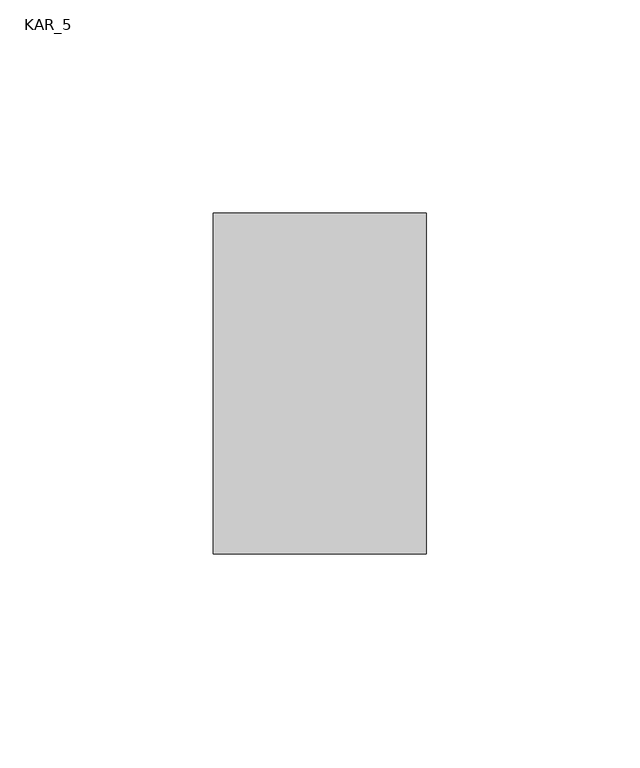
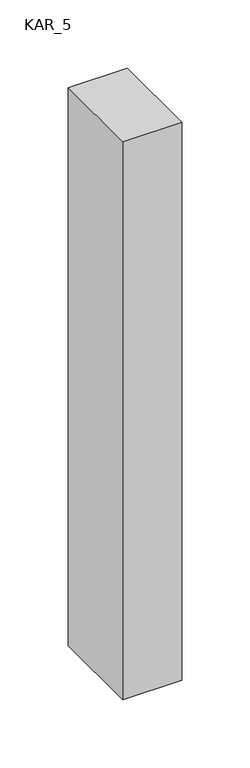
"""IFC4 building model written with IfcOpenShell, lengths in millimetres: proxy geometry, KAR_5."""

from ifc_helpers import new_model, si_unit, frame, origin, place, context, project, spatial, polyline, outline, extrude, source, transform, mapped, element, save


def kar_5_614ff901(model_context):
    return source(origin(), model_context, "Body", "SweptSolid", [
        extrude(outline(polyline([(50.0, 80.0), (50.0, 0.0), (0.0, 0.0), (0.0, 80.0), (50.0, 80.0)])), frame((0.0, 0.0, 1700.0), z_axis=(0.0, 0.0, 1.0), x_axis=(1.0, 0.0, 0.0)), (0.0, 0.0, 1.0), 500.0),
    ])


if __name__ == "__main__":
    model = new_model("IFC4")
    model_context = context("Model", 3, world=origin())
    ifc_project = project(units=[si_unit("LENGTHUNIT", "METRE", prefix="MILLI")], contexts=[model_context])
    site = spatial("IfcSite", under=ifc_project)
    building = spatial("IfcBuilding", under=site)
    placement = place(None, origin())
    kar_5_shape = kar_5_614ff901(model_context)
    element("IfcBuildingElementProxy", 1, Name="KAR_5", ObjectType="KAR_5", at=placement, inside=building, context=model_context, shape_type="MappedRepresentation", body=[
        mapped(kar_5_shape, transform((0.0, 0.0, 0.0), x_axis=(1.0, 0.0, 0.0), y_axis=(0.0, 1.0, 0.0), z_axis=(0.0, 0.0, 1.0))),
    ])
    save(model, "model.ifc")
